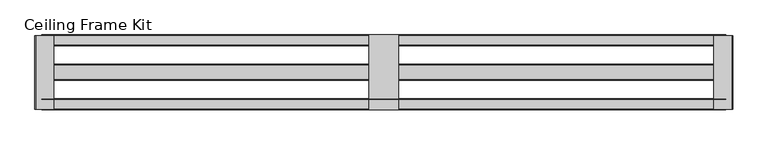
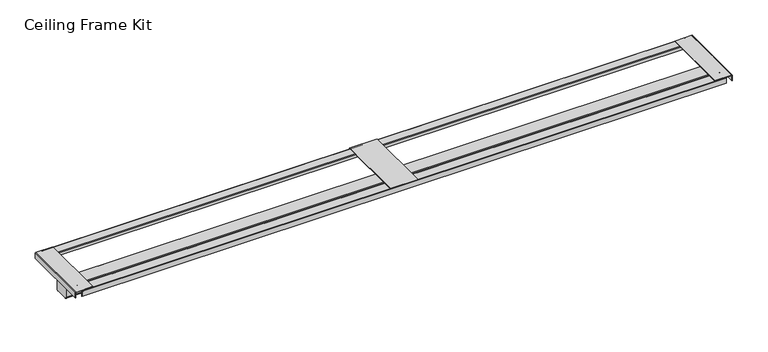
"""IFC4 building model written with IfcOpenShell, lengths in millimetres: proxy geometry, Ceiling Frame Kit."""

from ifc_helpers import new_model, si_unit, point, frame, frame_2d, origin, place, context, project, spatial, polyline, circle_curve, trimmed, segment, composite_curve, outline, extrude, source, transform, mapped, element, save


def ceiling_frame_kit_40e561e5(model_context):
    return source(origin(), model_context, "Body", "SweptSolid", [
        extrude(outline(polyline([(941.0576389, 252.6359375), (1042.6576389, 252.6359375), (1042.6576389, -7.7140625), (941.0576389, -7.7140625), (941.0576389, 252.6359375)])), frame((0.0, 0.0, 3059.1125), z_axis=(0.0, 0.0, 1.0), x_axis=(1.0, 0.0, 0.0)), (0.0, 0.0, 1.0), 1.5875),
        extrude(outline(composite_curve([segment(trimmed(circle_curve(frame_2d((250.3710963, 3056.9111588)), 1.0456412), [point((251.4167375, 3056.9111588))], [point((250.3710963, 3057.9568))], True, "CARTESIAN"), True, "CONTINUOUS"), segment(polyline([(250.3710963, 3057.9568), (216.9675311, 3057.9568)]), True, "CONTINUOUS"), segment(trimmed(circle_curve(frame_2d((216.9675311, 3057.1254064)), 0.8313936), [point((216.9675311, 3057.9568))], [point((216.1361375, 3057.1254064))], True, "CARTESIAN"), True, "CONTINUOUS"), segment(polyline([(216.1361375, 3057.1254064), (216.1361375, 3046.476), (214.9169375, 3046.476), (214.9169375, 3056.9623653)]), True, "CONTINUOUS"), segment(trimmed(circle_curve(frame_2d((217.1305722, 3056.9623653)), 2.2136347), [point((214.9169375, 3056.9623653))], [point((217.1305722, 3059.176))], False, "CARTESIAN"), True, "CONTINUOUS"), segment(polyline([(217.1305722, 3059.176), (250.5056994, 3059.176)]), True, "CONTINUOUS"), segment(trimmed(circle_curve(frame_2d((250.5056994, 3057.0457619)), 2.1302381), [point((250.5056994, 3059.176))], [point((252.6359375, 3057.0457619))], False, "CARTESIAN"), True, "CONTINUOUS"), segment(polyline([(252.6359375, 3057.0457619), (252.6359375, 3038.2837), (251.4167375, 3038.2837), (251.4167375, 3056.9111588)]), True, "CONTINUOUS")], self_intersect=False)), frame((-197.0135522, 0.0, 0.0), z_axis=(1.0, 0.0, 0.0), x_axis=(0.0, 1.0, 0.0)), (0.0, 0.0, 1.0), 2377.7423822),
        extrude(outline(composite_curve([segment(polyline([(28.7857375, 3046.476), (28.7857375, 3056.939757)]), True, "CONTINUOUS"), segment(trimmed(circle_curve(frame_2d((27.7686945, 3056.939757)), 1.017043), [point((28.7857375, 3056.939757))], [point((27.7686945, 3057.9568))], True, "CARTESIAN"), True, "CONTINUOUS"), segment(polyline([(27.7686945, 3057.9568), (-5.6179457, 3057.9568)]), True, "CONTINUOUS"), segment(trimmed(circle_curve(frame_2d((-5.6179457, 3057.0798832)), 0.8769168), [point((-5.6179457, 3057.9568))], [point((-6.4948625, 3057.0798832))], True, "CARTESIAN"), True, "CONTINUOUS"), segment(polyline([(-6.4948625, 3057.0798832), (-6.4948625, 3038.2837), (-7.7140625, 3038.2837), (-7.7140625, 3057.0872847)]), True, "CONTINUOUS"), segment(trimmed(circle_curve(frame_2d((-5.6253472, 3057.0872847)), 2.0887153), [point((-7.7140625, 3057.0872847))], [point((-5.6253472, 3059.176))], False, "CARTESIAN"), True, "CONTINUOUS"), segment(polyline([(-5.6253472, 3059.176), (27.8200722, 3059.176)]), True, "CONTINUOUS"), segment(trimmed(circle_curve(frame_2d((27.8200722, 3056.9911347)), 2.1848653), [point((27.8200722, 3059.176))], [point((30.0049375, 3056.9911347))], False, "CARTESIAN"), True, "CONTINUOUS"), segment(polyline([(30.0049375, 3056.9911347), (30.0049375, 3046.476), (28.7857375, 3046.476)]), True, "CONTINUOUS")], self_intersect=False)), frame((-197.0135522, 0.0, 0.0), z_axis=(1.0, 0.0, 0.0), x_axis=(0.0, 1.0, 0.0)), (0.0, 0.0, 1.0), 2377.7423822),
        extrude(outline(composite_curve([segment(trimmed(circle_curve(frame_2d((145.976614, 2970.0470435)), 3.9112435), [point((149.8878575, 2970.0470435))], [point((145.976614, 2966.1358))], False, "CARTESIAN"), True, "CONTINUOUS"), segment(polyline([(145.976614, 2966.1358), (100.2545068, 2966.1358)]), True, "CONTINUOUS"), segment(trimmed(circle_curve(frame_2d((100.2545068, 2971.3562893)), 5.2204893), [point((100.2545068, 2966.1358))], [point((95.0340175, 2971.3562893))], False, "CARTESIAN"), True, "CONTINUOUS"), segment(polyline([(95.0340175, 2971.3562893), (95.0340175, 3007.4598892)]), True, "CONTINUOUS"), segment(trimmed(circle_curve(frame_2d((97.4741283, 3007.4598892)), 2.4401108), [point((95.0340175, 3007.4598892))], [point((97.4741283, 3009.9))], False, "CARTESIAN"), True, "CONTINUOUS"), segment(polyline([(97.4741283, 3009.9), (147.3816271, 3009.9)]), True, "CONTINUOUS"), segment(trimmed(circle_curve(frame_2d((147.3816271, 3007.3937696)), 2.5062304), [point((147.3816271, 3009.9))], [point((149.8878575, 3007.3937696))], False, "CARTESIAN"), True, "CONTINUOUS"), segment(polyline([(149.8878575, 3007.3937696), (149.8878575, 2970.0470435)]), True, "CONTINUOUS")], self_intersect=False)), frame((-197.0135522, 0.0, 0.0), z_axis=(1.0, 0.0, 0.0), x_axis=(0.0, 1.0, 0.0)), (0.0, 0.0, 1.0), 2377.7423822),
        extrude(outline(composite_curve([segment(trimmed(circle_curve(frame_2d((3058.0375326, -218.1520937)), 1.0749674), [point((3058.0375326, -219.2270611))], [point((3059.1125, -218.1520937))], True, "CARTESIAN"), True, "CONTINUOUS"), segment(polyline([(3059.1125, -218.1520937), (3059.1125, -155.7270611), (3060.7, -155.7270611), (3060.7, -218.2083107)]), True, "CONTINUOUS"), segment(trimmed(circle_curve(frame_2d((3058.0937496, -218.2083107)), 2.6062504), [point((3060.7, -218.2083107))], [point((3058.0937496, -220.8145611))], False, "CARTESIAN"), True, "CONTINUOUS"), segment(polyline([(3058.0937496, -220.8145611), (3038.475, -220.8145611), (3038.475, -219.2270611), (3058.0375326, -219.2270611)]), True, "CONTINUOUS")], self_intersect=False)), frame((0.0, -5.5390625, 0.0), z_axis=(0.0, 1.0, 0.0), x_axis=(0.0, 0.0, 1.0)), (0.0, 0.0, 1.0), 256.0000001),
        extrude(outline(composite_curve([segment(trimmed(circle_curve(frame_2d((3058.3509434, 2202.1807823)), 0.7615566), [point((3059.1125, 2202.1807823))], [point((3058.3509434, 2202.9423389))], True, "CARTESIAN"), True, "CONTINUOUS"), segment(polyline([(3058.3509434, 2202.9423389), (3038.475, 2202.9423389), (3038.475, 2204.5298389), (3058.4519064, 2204.5298389)]), True, "CONTINUOUS"), segment(trimmed(circle_curve(frame_2d((3058.4519064, 2202.2817453)), 2.2480936), [point((3058.4519064, 2204.5298389))], [point((3060.7, 2202.2817453))], False, "CARTESIAN"), True, "CONTINUOUS"), segment(polyline([(3060.7, 2202.2817453), (3060.7, 2139.4423389), (3059.1125, 2139.4423389), (3059.1125, 2202.1807823)]), True, "CONTINUOUS")], self_intersect=False)), frame((0.0, -5.5390625, 0.0), z_axis=(0.0, 1.0, 0.0), x_axis=(0.0, 0.0, 1.0)), (0.0, 0.0, 1.0), 256.0000001),
    ])


if __name__ == "__main__":
    model = new_model("IFC4")
    model_context = context("Model", 3, world=origin())
    ifc_project = project(units=[si_unit("LENGTHUNIT", "METRE", prefix="MILLI")], contexts=[model_context])
    site = spatial("IfcSite", under=ifc_project)
    building = spatial("IfcBuilding", under=site)
    placement = place(None, origin())
    ceiling_frame_kit_shape = ceiling_frame_kit_40e561e5(model_context)
    element("IfcBuildingElementProxy", 1, Name="Ceiling Frame Kit", ObjectType="Ceiling Frame Kit", at=placement, inside=building, context=model_context, shape_type="MappedRepresentation", body=[
        mapped(ceiling_frame_kit_shape, transform((0.0, 0.0, 0.0), x_axis=(1.0, 0.0, 0.0), y_axis=(0.0, 1.0, 0.0), z_axis=(0.0, 0.0, 1.0))),
    ])
    save(model, "model.ifc")
